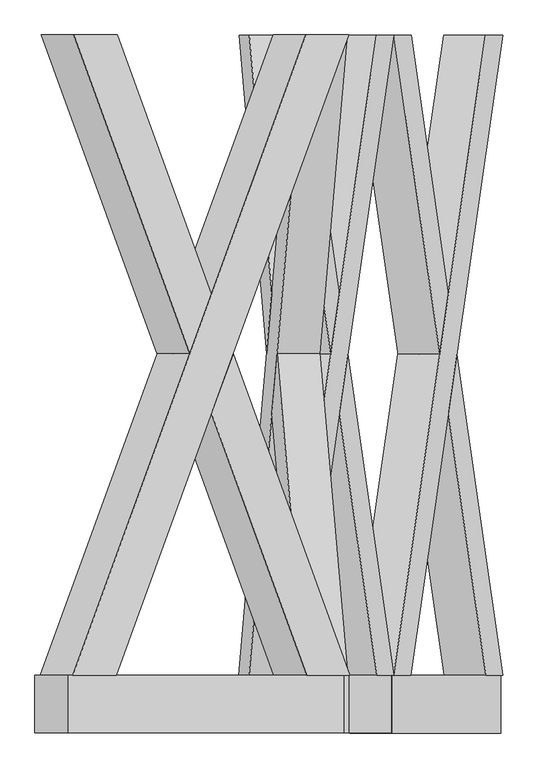
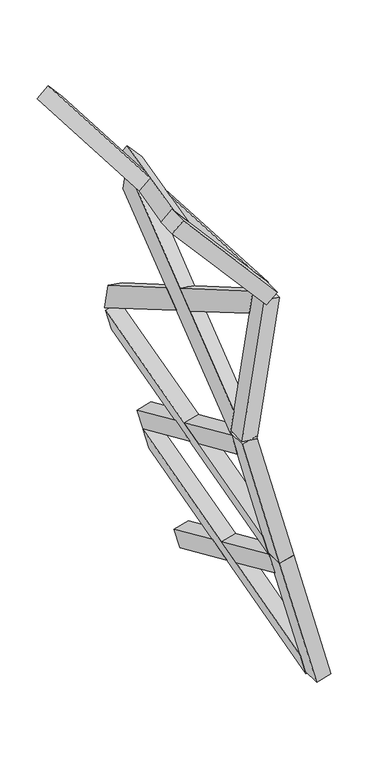
"""IFC4 building model written with IfcOpenShell, lengths in millimetres: proxy geometry."""

from ifc_helpers import new_model, si_unit, frame, origin, place, context, project, spatial, polyline, outline, extrude, faceted_brep, source, transform, mapped, element, save


def generic_models_6a301e27(model_context):
    return source(origin(), model_context, "Body", "SolidModel", [
        faceted_brep([(-1410.1660377, 100.0, 5392.4026614), (-1260.1444858, 100.0, 5219.8226077), (-452.9354869, 2319.6837757, 4291.2348773), (-602.9570388, 2319.6837757, 4463.814931), (-566.1419239, 2319.6837757, 4192.8260229), (-968.1910556, 1214.1188776, 4655.3306422), (-1043.2018316, 1420.3854116, 4741.620669), (-716.1634758, 2319.6837757, 4365.4060766), (-1523.3724748, 100.0, 5293.993807), (-1118.2126075, 1214.1188776, 4827.9106959), (-1043.2018316, 1007.8523437, 4741.620669), (-1373.3509228, 100.0, 5121.4137533), (-986.598613, 1007.8523437, 4790.8250962), (-911.5878371, 1214.1188776, 4704.5350693), (-986.598613, 1420.3854116, 4790.8250962), (-1061.609389, 1214.1188776, 4877.1151231)], [[[0, 1, 2, 3]], [[4, 5, 6, 7]], [[8, 9, 10, 11]], [[0, 8, 11, 1]], [[1, 11, 10, 12, 13, 5, 4, 2]], [[2, 4, 7, 3]], [[3, 7, 6, 14, 15, 9, 8, 0]], [[13, 12, 15, 14]], [[12, 10, 9, 15]], [[14, 6, 5, 13]]]),
        faceted_brep([(-449.8247513, 100.0, 4287.6563853), (-854.9846186, 1214.1188776, 4753.7394965), (-929.9953945, 1007.8523437, 4840.0295234), (-599.8463032, 100.0, 4460.2364391), (-1407.0553022, 2319.6837757, 5388.8241695), (-1005.0061705, 1214.1188776, 4926.3195502), (-929.9953945, 1420.3854116, 4840.0295234), (-1257.0337503, 2319.6837757, 5216.2441157), (-563.0311883, 100.0, 4189.247531), (-713.0527403, 100.0, 4361.8275847), (-1520.2617392, 2319.6837757, 5290.4153151), (-1370.2401873, 2319.6837757, 5117.8352614), (-986.598613, 1007.8523437, 4790.8250962), (-1061.609389, 1214.1188776, 4877.1151231), (-986.598613, 1420.3854116, 4790.8250962), (-911.5878371, 1214.1188776, 4704.5350693)], [[[0, 1, 2, 3]], [[4, 5, 6, 7]], [[8, 9, 10, 11]], [[3, 9, 8, 0]], [[9, 3, 2, 12, 13, 5, 4, 10]], [[7, 11, 10, 4]], [[11, 7, 6, 14, 15, 1, 0, 8]], [[13, 12, 15, 14]], [[12, 2, 1, 15]], [[14, 6, 5, 13]]]),
        extrude(outline(polyline([(-148.3871943, 0.0), (-348.3871943, 0.0), (-348.3871943, 150.0), (-148.3871943, 150.0), (-148.3871943, 0.0)])), frame((-470.7540742, 248.3871943, 4311.7328172), z_axis=(-0.6560590289905034, 0.0, 0.7547095802227755), x_axis=(0.0, 1.0, 0.0)), (0.0, 0.0, 1.0), 1460.0),
        faceted_brep([(-457.6762277, 100.0, 4223.0433283), (-493.4482241, 100.0, 3997.1878319), (-685.923752, 2319.6837757, 2781.9451762), (-650.1517556, 2319.6837757, 3007.8006726), (-834.0770031, 2319.6837757, 2805.410346), (-738.2101099, 1214.1188776, 3410.6900879), (-720.3241117, 1420.3854116, 3523.6178361), (-798.3050067, 2319.6837757, 3031.2658424), (-605.8294788, 100.0, 4246.5084981), (-702.4381135, 1214.1188776, 3636.5455843), (-720.3241117, 1007.8523437, 3523.6178361), (-641.6014752, 100.0, 4020.6530017), (-646.2474862, 1007.8523437, 3511.8852512), (-664.1334844, 1214.1188776, 3398.957503), (-646.2474862, 1420.3854116, 3511.8852512), (-628.361488, 1214.1188776, 3624.8129994)], [[[0, 1, 2, 3]], [[4, 5, 6, 7]], [[8, 9, 10, 11]], [[0, 8, 11, 1]], [[1, 11, 10, 12, 13, 5, 4, 2]], [[2, 4, 7, 3]], [[3, 7, 6, 14, 15, 9, 8, 0]], [[13, 12, 15, 14]], [[12, 10, 9, 15]], [[14, 6, 5, 13]]]),
        faceted_brep([(-686.6654935, 100.0, 2777.2620043), (-590.0568588, 1214.1188776, 3387.2249181), (-572.1708606, 1007.8523437, 3500.1526663), (-650.8934972, 100.0, 3003.1175007), (-458.4179693, 2319.6837757, 4218.3601564), (-554.2848624, 1214.1188776, 3613.0804145), (-572.1708606, 1420.3854116, 3500.1526663), (-494.1899657, 2319.6837757, 3992.50466), (-834.8187446, 100.0, 2800.727174), (-799.0467482, 100.0, 3026.5826704), (-606.5712204, 2319.6837757, 4241.8253261), (-642.3432168, 2319.6837757, 4015.9698297), (-646.2474862, 1007.8523437, 3511.8852512), (-628.361488, 1214.1188776, 3624.8129994), (-646.2474862, 1420.3854116, 3511.8852512), (-664.1334844, 1214.1188776, 3398.957503)], [[[0, 1, 2, 3]], [[4, 5, 6, 7]], [[8, 9, 10, 11]], [[3, 9, 8, 0]], [[9, 3, 2, 12, 13, 5, 4, 10]], [[7, 11, 10, 4]], [[11, 7, 6, 14, 15, 1, 0, 8]], [[13, 12, 15, 14]], [[12, 2, 1, 15]], [[14, 6, 5, 13]]]),
        extrude(outline(polyline([(-148.3871943, 0.0), (-348.3871943, 0.0), (-348.3871943, 149.9999999), (-148.3871943, 149.9999999), (-148.3871943, 0.0)])), frame((-681.6749862, 248.3871943, 2808.7708279), z_axis=(0.15643446504023517, 0.0, 0.9876883405951371), x_axis=(0.0, 1.0, 0.0)), (0.0, 0.0, 1.0), 1460.0),
        faceted_brep([(-676.0347698, 100.0, 2812.7738565), (-616.8504082, 100.0, 2591.8948119), (-298.4018341, 2319.6837757, 1403.4285538), (-357.5861957, 2319.6837757, 1624.3075984), (-443.290708, 2319.6837757, 1364.605697), (-601.9013936, 1214.1188776, 1956.5488341), (-631.4935744, 1420.3854116, 2066.9883564), (-502.4750697, 2319.6837757, 1585.4847416), (-820.9236437, 100.0, 2773.9509997), (-661.0857552, 1214.1188776, 2177.4278787), (-631.4935744, 1007.8523437, 2066.9883564), (-761.7392821, 100.0, 2553.0719552), (-559.0491374, 1007.8523437, 2086.3997848), (-529.4569566, 1214.1188776, 1975.9602625), (-559.0491374, 1420.3854116, 2086.3997848), (-588.6413182, 1214.1188776, 2196.8393071)], [[[0, 1, 2, 3]], [[4, 5, 6, 7]], [[8, 9, 10, 11]], [[0, 8, 11, 1]], [[1, 11, 10, 12, 13, 5, 4, 2]], [[2, 4, 7, 3]], [[3, 7, 6, 14, 15, 9, 8, 0]], [[13, 12, 15, 14]], [[12, 10, 9, 15]], [[14, 6, 5, 13]]]),
        faceted_brep([(-297.1746311, 100.0, 1398.8485699), (-457.0125196, 1214.1188776, 1995.3716909), (-486.6047004, 1007.8523437, 2105.8112132), (-356.3589927, 100.0, 1619.7276144), (-674.8075668, 2319.6837757, 2808.1938725), (-516.1968813, 1214.1188776, 2216.2507354), (-486.6047004, 1420.3854116, 2105.8112132), (-615.6232052, 2319.6837757, 2587.314828), (-442.063505, 100.0, 1360.0257131), (-501.2478667, 100.0, 1580.9047576), (-819.6964407, 2319.6837757, 2769.3710158), (-760.5120791, 2319.6837757, 2548.4919712), (-559.0491374, 1007.8523437, 2086.3997848), (-588.6413182, 1214.1188776, 2196.8393071), (-559.0491374, 1420.3854116, 2086.3997848), (-529.4569566, 1214.1188776, 1975.9602625)], [[[0, 1, 2, 3]], [[4, 5, 6, 7]], [[8, 9, 10, 11]], [[3, 9, 8, 0]], [[9, 3, 2, 12, 13, 5, 4, 10]], [[7, 11, 10, 4]], [[11, 7, 6, 14, 15, 1, 0, 8]], [[13, 12, 15, 14]], [[12, 2, 1, 15]], [[14, 6, 5, 13]]]),
        extrude(outline(polyline([(-148.3871943, 0.0), (-348.3871943, 0.0), (-348.3871943, 150.0), (-148.3871943, 150.0), (-148.3871943, 0.0)])), frame((-305.4313689, 248.3871943, 1429.6631348), z_axis=(-0.2588190451025191, 0.0, 0.9659258262890689), x_axis=(0.0, 1.0, 0.0)), (0.0, 0.0, 1.0), 1460.0),
        faceted_brep([(-298.158964, 100.0, 1402.5221501), (-238.9746023, 100.0, 1181.6431055), (79.4739718, 2319.6837757, -6.8231526), (20.2896101, 2319.6837757, 214.055892), (-65.4149022, 2319.6837757, -45.6460093), (-224.0255877, 1214.1188776, 546.2971277), (-253.6177685, 1420.3854116, 656.73665), (-124.5992638, 2319.6837757, 175.2330352), (-443.0478379, 100.0, 1363.6992933), (-283.2099493, 1214.1188776, 767.1761723), (-253.6177685, 1007.8523437, 656.73665), (-383.8634763, 100.0, 1142.8202488), (-181.1733316, 1007.8523437, 676.1480784), (-151.5811508, 1214.1188776, 565.7085561), (-181.1733316, 1420.3854116, 676.1480784), (-210.7655124, 1214.1188776, 786.5876007)], [[[0, 1, 2, 3]], [[4, 5, 6, 7]], [[8, 9, 10, 11]], [[0, 8, 11, 1]], [[1, 11, 10, 12, 13, 5, 4, 2]], [[2, 4, 7, 3]], [[3, 7, 6, 14, 15, 9, 8, 0]], [[13, 12, 15, 14]], [[12, 10, 9, 15]], [[14, 6, 5, 13]]]),
        faceted_brep([(80.7011748, 100.0, -11.4031365), (-79.1367138, 1214.1188776, 585.1199845), (-108.7288946, 1007.8523437, 695.5595068), (21.5168131, 100.0, 209.475908), (-296.931761, 2319.6837757, 1397.9421661), (-138.3210754, 1214.1188776, 805.9990291), (-108.7288946, 1420.3854116, 695.5595068), (-237.7473993, 2319.6837757, 1177.0631216), (-64.1876992, 100.0, -50.2259933), (-123.3720608, 100.0, 170.6530513), (-441.8206349, 2319.6837757, 1359.1193094), (-382.6362733, 2319.6837757, 1138.2402648), (-181.1733316, 1007.8523437, 676.1480784), (-210.7655124, 1214.1188776, 786.5876007), (-181.1733316, 1420.3854116, 676.1480784), (-151.5811508, 1214.1188776, 565.7085561)], [[[0, 1, 2, 3]], [[4, 5, 6, 7]], [[8, 9, 10, 11]], [[3, 9, 8, 0]], [[9, 3, 2, 12, 13, 5, 4, 10]], [[7, 11, 10, 4]], [[11, 7, 6, 14, 15, 1, 0, 8]], [[13, 12, 15, 14]], [[12, 2, 1, 15]], [[14, 6, 5, 13]]]),
        extrude(outline(polyline([(-148.3871943, 0.0), (-348.3871943, 0.0), (-348.3871943, 150.0000001), (-148.3871943, 150.0000001), (-148.3871943, 0.0)])), frame((72.444437, 248.3871943, 19.4114284), z_axis=(-0.2588190451025189, 0.0, 0.9659258262890689), x_axis=(0.0, 1.0, 0.0)), (0.0, 0.0, 1.0), 1460.0),
    ])


if __name__ == "__main__":
    model = new_model("IFC4")
    model_context = context("Model", 3, world=origin())
    ifc_project = project(units=[si_unit("LENGTHUNIT", "METRE", prefix="MILLI")], contexts=[model_context])
    site = spatial("IfcSite", under=ifc_project)
    building = spatial("IfcBuilding", under=site)
    placement = place(None, origin())
    generic_models_shape = generic_models_6a301e27(model_context)
    element("IfcBuildingElementProxy", 1, Name="Generic Models", at=placement, inside=building, context=model_context, shape_type="MappedRepresentation", body=[
        mapped(generic_models_shape, transform((0.0, 0.0, 0.0), x_axis=(1.0, 0.0, 0.0), y_axis=(0.0, 1.0, 0.0), z_axis=(0.0, 0.0, 1.0))),
    ])
    save(model, "model.ifc")
